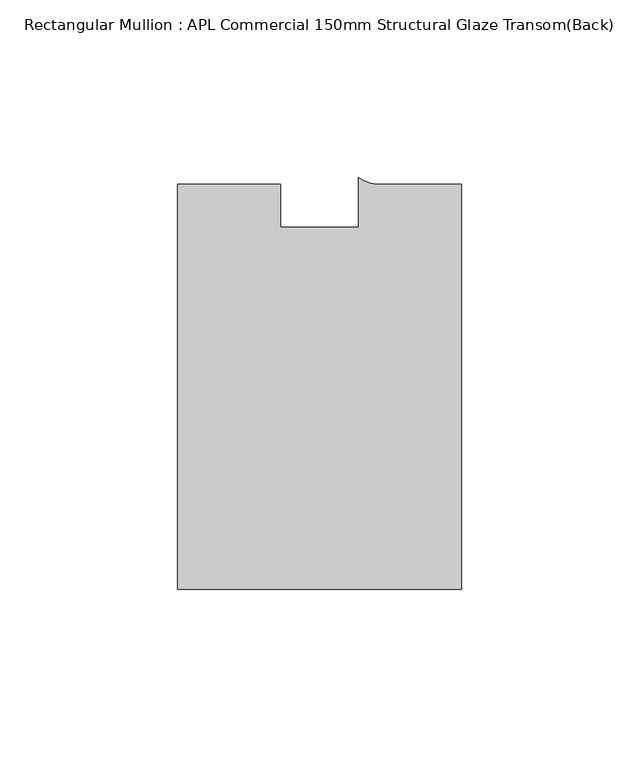
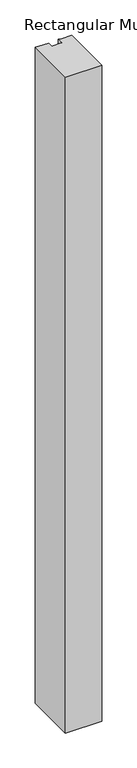
"""IFC4 building model written with IfcOpenShell, lengths in millimetres: member geometry, Rectangular Mullion : APL Commercial 150mm Structural Glaze Transom(Back)."""

from ifc_helpers import new_model, si_unit, point, frame, frame_2d, origin, place, context, project, spatial, polyline, circle_curve, trimmed, segment, composite_curve, outline, extrude, source, transform, mapped, element, save


def rectangular_mullion_apl_commercial_150mm_structural_glaze_0e4eec2a(model_context):
    return source(origin(), model_context, "Body", "SweptSolid", [
        extrude(outline(composite_curve([segment(polyline([(40.0, -128.9999975), (-40.0, -128.9999975), (-40.0, -15.0000829), (-11.0000151, -15.0000829), (-11.0000151, -27.0), (11.0000151, -27.0), (11.0000151, -13.0673455)]), True, "CONTINUOUS"), segment(trimmed(circle_curve(frame_2d((17.1097719, -4.581653)), 10.4563907), [point((11.0000151, -13.0673455))], [point((17.9999542, -15.0000829))], True, "CARTESIAN"), True, "CONTINUOUS"), segment(polyline([(17.9999542, -15.0000829), (40.0, -15.0000829), (40.0, -128.9999975)]), True, "CONTINUOUS")], self_intersect=False)), frame((0.0, 0.0, -1524.000019), z_axis=(0.0, 0.0, 1.0), x_axis=(1.0, 0.0, 0.0)), (0.0, 0.0, 1.0), 1524.000019),
    ])


if __name__ == "__main__":
    model = new_model("IFC4")
    model_context = context("Model", 3, world=origin())
    ifc_project = project(units=[si_unit("LENGTHUNIT", "METRE", prefix="MILLI")], contexts=[model_context])
    site = spatial("IfcSite", under=ifc_project)
    building = spatial("IfcBuilding", under=site)
    placement = place(None, origin())
    rectangular_mullion_apl_commercial_150mm_structural_glaze_shape = rectangular_mullion_apl_commercial_150mm_structural_glaze_0e4eec2a(model_context)
    element("IfcMember", 1, ObjectType="Rectangular Mullion : APL Commercial 150mm Structural Glaze Transom(Back)", at=placement, inside=building, context=model_context, shape_type="MappedRepresentation", body=[
        mapped(rectangular_mullion_apl_commercial_150mm_structural_glaze_shape, transform((0.0, 0.0, 0.0), x_axis=(1.0, 0.0, 0.0), y_axis=(0.0, 1.0, 0.0), z_axis=(0.0, 0.0, 1.0))),
    ])
    save(model, "model.ifc")
